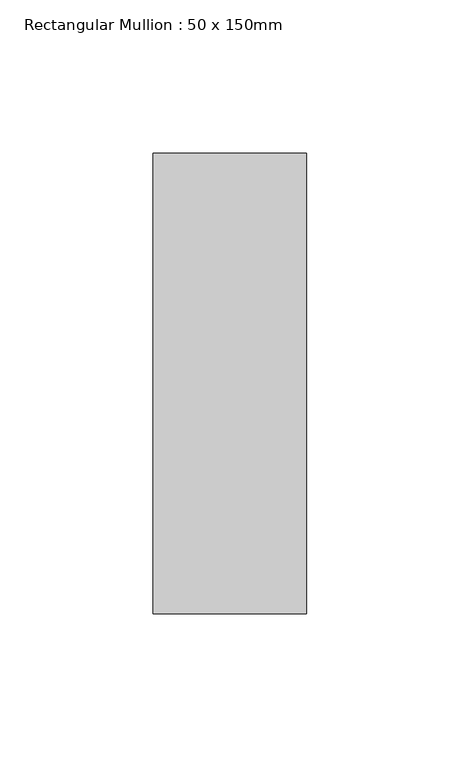
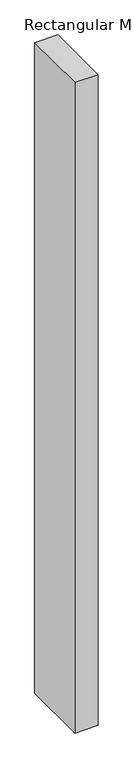
"""IFC4 building model written with IfcOpenShell, lengths in millimetres: member geometry, Rectangular Mullion : 50 x 150mm."""

import ifcopenshell
import ifcopenshell.guid

model = None  # the IFC model being written
_history = None  # IfcOwnerHistory: only IFC2X3 demands one
_inside = {}  # id of a spatial element -> (the spatial element, [elements in it])
_under = {}  # id of a project, library or spatial element -> (it, [spatial elements below it])
_declared = {}  # id of a project -> (the project, [libraries it declares])
_typed = {}  # id of a type object -> (the type object, [elements of that type])
_made_of = {}  # id of a material, layer set ... -> (it, [elements and type objects made of it])


def new_model(schema):
    """Start an empty IFC model of exactly this schema.

    Asked for "IFC4X3", IfcOpenShell would pick the latest addendum, in which some entities
    have other attributes; the version numbers below select the first issue.
    IFC2X3 requires an IfcOwnerHistory on every rooted entity: one is made here for all.
    """
    global model, _history
    if schema == "IFC4X3":
        model = ifcopenshell.file(schema_version=(4, 3, 0, 0))
    else:
        model = ifcopenshell.file(schema=schema)
    _inside.clear()
    _under.clear()
    _declared.clear()
    _typed.clear()
    _made_of.clear()
    _history = None
    if model.schema == "IFC2X3":
        org = make("IfcOrganization", Name="unknown")
        user = make(
            "IfcPersonAndOrganization",
            ThePerson=make("IfcPerson", FamilyName="unknown"),
            TheOrganization=org,
        )
        app = make(
            "IfcApplication",
            ApplicationDeveloper=org,
            Version="unknown",
            ApplicationFullName="unknown",
            ApplicationIdentifier="unknown",
        )
        _history = make(
            "IfcOwnerHistory",
            OwningUser=user,
            OwningApplication=app,
            ChangeAction="ADDED",
            CreationDate=0,
        )
    return model


def make(cls, **values):
    """One entity of the class cls with the attributes given. An attribute that is None is left unset."""
    return model.create_entity(
        cls, **{name: value for name, value in values.items() if value is not None}
    )


def rooted(cls, **values):
    """An entity with a GlobalId (a new one), such as an element, a storey or a relation."""
    return make(cls, GlobalId=ifcopenshell.guid.new(), OwnerHistory=_history, **values)


def si_unit(unit_type, name, prefix=None):
    """IfcSIUnit, for example si_unit("LENGTHUNIT", "METRE", prefix="MILLI")."""
    return make("IfcSIUnit", UnitType=unit_type, Prefix=prefix, Name=name)


def assignment(units):
    """IfcUnitAssignment: the units of a project."""
    return None if units is None else make("IfcUnitAssignment", Units=units)


def point(xyz):
    """IfcCartesianPoint."""
    return None if xyz is None else make("IfcCartesianPoint", Coordinates=xyz)


def direction(xyz):
    """IfcDirection."""
    return None if xyz is None else make("IfcDirection", DirectionRatios=xyz)


def frame(location, z_axis=None, x_axis=None):
    """IfcAxis2Placement3D, a coordinate frame: its origin and axes. An axis left out is left unset."""
    return make(
        "IfcAxis2Placement3D",
        Location=point(location),
        Axis=direction(z_axis),
        RefDirection=direction(x_axis),
    )


def origin():
    """The frame at (0, 0, 0) with its axes left unset."""
    return frame((0.0, 0.0, 0.0))


def place(relative_to, where):
    """IfcLocalPlacement: puts the frame where relative to a parent placement (None: the world)."""
    return make(
        "IfcLocalPlacement", PlacementRelTo=relative_to, RelativePlacement=where
    )


def context(
    kind, dimensions, precision=None, world=None, true_north=None, identifier=None
):
    """IfcGeometricRepresentationContext, for example the 3D "Model" context."""
    return make(
        "IfcGeometricRepresentationContext",
        ContextIdentifier=identifier,
        ContextType=kind,
        CoordinateSpaceDimension=dimensions,
        Precision=precision,
        WorldCoordinateSystem=world,
        TrueNorth=true_north,
    )


def project(units=None, contexts=None):
    """IfcProject with its units and contexts."""
    return rooted(
        "IfcProject",
        Name="project",
        RepresentationContexts=contexts,
        UnitsInContext=assignment(units),
    )


def spatial(cls, under=None, at=None, **own):
    """A site, building, storey or space (cls), placed at a placement, below another one or the project."""
    s = rooted(cls, ObjectPlacement=at, **own)
    if under is not None:
        _under.setdefault(under.id(), (under, []))[1].append(s)
    return s


def polyline(points):
    """IfcPolyline through the points."""
    return make("IfcPolyline", Points=[point(p) for p in points])


def outline(outer, holes=None, kind="AREA"):
    """IfcArbitraryClosedProfileDef: a profile drawn as a closed curve; with holes, ...WithVoids."""
    if holes is None:
        return make("IfcArbitraryClosedProfileDef", ProfileType=kind, OuterCurve=outer)
    return make(
        "IfcArbitraryProfileDefWithVoids",
        ProfileType=kind,
        OuterCurve=outer,
        InnerCurves=holes,
    )


def extrude(swept, where, along, depth):
    """IfcExtrudedAreaSolid: the profile swept, set in the frame where, extruded along a direction by depth."""
    return make(
        "IfcExtrudedAreaSolid",
        SweptArea=swept,
        Position=where,
        ExtrudedDirection=direction(along),
        Depth=depth,
    )


def shape(context_of_items, identifier, shape_type, items):
    """IfcShapeRepresentation: the items that make up one representation, for example the "Body"."""
    return make(
        "IfcShapeRepresentation",
        ContextOfItems=context_of_items,
        RepresentationIdentifier=identifier,
        RepresentationType=shape_type,
        Items=items,
    )


def source(mapping_origin, context_of_items, identifier, shape_type, items):
    """IfcRepresentationMap: a shape defined once, which mapped items show again and again."""
    return make(
        "IfcRepresentationMap",
        MappingOrigin=mapping_origin,
        MappedRepresentation=shape(context_of_items, identifier, shape_type, items),
    )


def transform(
    local_origin,
    x_axis=None,
    y_axis=None,
    z_axis=None,
    scale=None,
    scale2=None,
    scale3=None,
    uniform=True,
):
    """IfcCartesianTransformationOperator3D, or its non-uniform kind. x_axis, y_axis, z_axis: its Axis1, 2, 3."""
    if uniform:
        return make(
            "IfcCartesianTransformationOperator3D",
            Axis1=direction(x_axis),
            Axis2=direction(y_axis),
            LocalOrigin=point(local_origin),
            Scale=scale,
            Axis3=direction(z_axis),
        )
    return make(
        "IfcCartesianTransformationOperator3DnonUniform",
        Axis1=direction(x_axis),
        Axis2=direction(y_axis),
        LocalOrigin=point(local_origin),
        Scale=scale,
        Axis3=direction(z_axis),
        Scale2=scale2,
        Scale3=scale3,
    )


def mapped(mapping_source, mapping_target):
    """IfcMappedItem: shows the shape of a source again, moved by a transform."""
    return make(
        "IfcMappedItem", MappingSource=mapping_source, MappingTarget=mapping_target
    )


def made_of(thing, what):
    """Note that an element or type object is made of a material, layer set ...; save() writes the relation."""
    if what is not None:
        _made_of.setdefault(what.id(), (what, []))[1].append(thing)
    return thing


def element(
    cls,
    number,
    at=None,
    inside=None,
    cuts=None,
    type_object=None,
    material=None,
    context=None,
    identifier="Body",
    shape_type=None,
    held_by="IfcProductDefinitionShape",
    body=None,
    shapes=None,
    **own,
):
    """One element of the class cls, such as IfcWall. Its Tag is "e" and its number.

    at: its placement. inside: the storey or other place that contains it. cuts: it is an
    opening in that element (IfcRelVoidsElement). A single representation is given by context,
    identifier, shape_type and body (its items); several are given by shapes. held_by: the class
    of the entity that holds the representations. save() writes the other relations.
    """
    e = rooted(cls, Tag="e%d" % number, ObjectPlacement=at, **own)
    if body is not None:
        shapes = [shape(context, identifier, shape_type, body)]
    if shapes is not None:
        e.Representation = make(held_by, Representations=shapes)
    if inside is not None:
        _inside.setdefault(inside.id(), (inside, []))[1].append(e)
    if cuts is not None:
        rooted(
            "IfcRelVoidsElement", RelatingBuildingElement=cuts, RelatedOpeningElement=e
        )
    if type_object is not None:
        _typed.setdefault(type_object.id(), (type_object, []))[1].append(e)
    return made_of(e, material)


def aggregate(whole, parts):
    """IfcRelAggregates: a whole, such as a stair, and the parts it consists of."""
    return rooted("IfcRelAggregates", RelatingObject=whole, RelatedObjects=parts)


def save(model, path):
    """Write the relations noted so far, then the file.

    IfcRelAggregates (storeys below a building ...), IfcRelContainedInSpatialStructure (elements
    in a storey), IfcRelDefinesByType, IfcRelAssociatesMaterial and IfcRelDeclares: one each for
    every whole, place, type object, material and project.
    """
    for whole, parts in _under.values():
        aggregate(whole, parts)
    for where, things in _inside.values():
        rooted(
            "IfcRelContainedInSpatialStructure",
            RelatedElements=things,
            RelatingStructure=where,
        )
    for kind, things in _typed.values():
        rooted("IfcRelDefinesByType", RelatedObjects=things, RelatingType=kind)
    for what, things in _made_of.values():
        rooted("IfcRelAssociatesMaterial", RelatedObjects=things, RelatingMaterial=what)
    for by, libraries in _declared.values():
        rooted("IfcRelDeclares", RelatingContext=by, RelatedDefinitions=libraries)
    model.write(path)


def rectangular_mullion_50_x_150mm_53231dcc(model_context):
    return source(origin(), model_context, "Body", "SweptSolid", [
        extrude(outline(polyline([(25.0, 75.0), (25.0, -75.0), (-25.0, -75.0), (-25.0, 75.0), (25.0, 75.0)])), frame((0.0, 0.0, -1485.3121686), z_axis=(0.0, 0.0, 1.0), x_axis=(1.0, 0.0, 0.0)), (0.0, 0.0, 1.0), 1485.3121686),
    ])


if __name__ == "__main__":
    model = new_model("IFC4")
    model_context = context("Model", 3, world=origin())
    ifc_project = project(units=[si_unit("LENGTHUNIT", "METRE", prefix="MILLI")], contexts=[model_context])
    site = spatial("IfcSite", under=ifc_project)
    building = spatial("IfcBuilding", under=site)
    placement = place(None, origin())
    rectangular_mullion_50_x_150mm_shape = rectangular_mullion_50_x_150mm_53231dcc(model_context)
    element("IfcMember", 1, ObjectType="Rectangular Mullion : 50 x 150mm", at=placement, inside=building, context=model_context, shape_type="MappedRepresentation", body=[
        mapped(rectangular_mullion_50_x_150mm_shape, transform((0.0, 0.0, 0.0), x_axis=(1.0, 0.0, 0.0), y_axis=(0.0, 1.0, 0.0), z_axis=(0.0, 0.0, 1.0))),
    ])
    save(model, "model.ifc")
